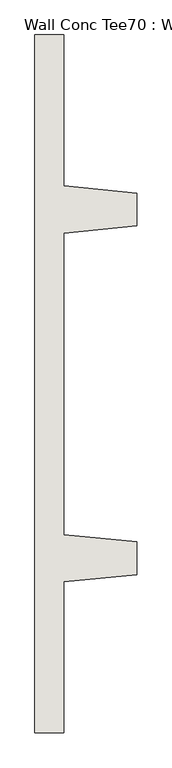
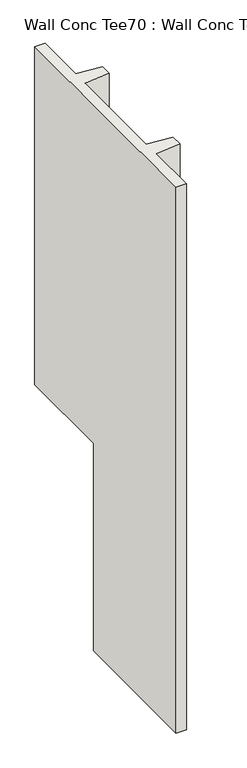
"""IFC4 building model written with IfcOpenShell, lengths in millimetres: wall geometry, Wall Conc Tee70 : Wall Conc Tee."""

from ifc_helpers import new_model, si_unit, origin, place, context, project, spatial, faceted_brep, source, transform, mapped, element, save


def wall_conc_tee70_wall_conc_tee_34d1beac(model_context):
    return source(origin(), model_context, "Body", "Brep", [
        faceted_brep([(240653.0728488, 183579.2596581, 5884.1592564), (240653.0728488, 181140.8596581, 5884.1592564), (240754.6728488, 181140.8596581, 5884.1592564), (240754.6728488, 181667.9096581, 5884.1592564), (241008.6728488, 181693.3096581, 5884.1592564), (241008.6728488, 181807.6096581, 5884.1592564), (240754.6728488, 181833.0096581, 5884.1592564), (240754.6728488, 182887.1096581, 5884.1592564), (241008.6728488, 182912.5096581, 5884.1592564), (241008.6728488, 183026.8096581, 5884.1592564), (240754.6728488, 183052.2096581, 5884.1592564), (240754.6728488, 183579.2596581, 5884.1592564), (240754.6728488, 181140.8596581, 143.7592564), (240653.0728488, 181140.8596581, 143.7592564), (240653.0728488, 182564.7814247, 143.7592564), (240754.6728488, 182564.7814247, 143.7592564), (240754.6728488, 181833.0096581, 143.7592564), (241008.6728488, 181807.6096581, 143.7592564), (241008.6728488, 181693.3096581, 143.7592564), (240754.6728488, 181667.9096581, 143.7592564), (240653.0728488, 183579.2596581, 2328.1592564), (240653.0728488, 182564.7814247, 2328.1592564), (240754.6728488, 183579.2596581, 2328.1592564), (240754.6728488, 183052.2096581, 2328.1592564), (241008.6728488, 183026.8096581, 2328.1592564), (241008.6728488, 182912.5096581, 2328.1592564), (240754.6728488, 182887.1096581, 2328.1592564), (240754.6728488, 182564.7814247, 2328.1592564)], [[[0, 1, 2, 3, 4, 5, 6, 7, 8, 9, 10, 11]], [[12, 13, 14, 15, 16, 17, 18, 19]], [[1, 0, 20, 21, 14, 13]], [[0, 11, 22, 20]], [[11, 10, 23, 22]], [[10, 9, 24, 23]], [[9, 8, 25, 24]], [[8, 7, 26, 25]], [[7, 6, 16, 15, 27, 26]], [[6, 5, 17, 16]], [[5, 4, 18, 17]], [[4, 3, 19, 18]], [[3, 2, 12, 19]], [[2, 1, 13, 12]], [[21, 20, 22, 23, 24, 25, 26, 27]], [[15, 14, 21, 27]]]),
    ])


if __name__ == "__main__":
    model = new_model("IFC4")
    model_context = context("Model", 3, world=origin())
    ifc_project = project(units=[si_unit("LENGTHUNIT", "METRE", prefix="MILLI")], contexts=[model_context])
    site = spatial("IfcSite", under=ifc_project)
    building = spatial("IfcBuilding", under=site)
    placement = place(None, origin())
    wall_conc_tee70_wall_conc_tee_shape = wall_conc_tee70_wall_conc_tee_34d1beac(model_context)
    element("IfcWall", 1, ObjectType="Wall Conc Tee70 : Wall Conc Tee", at=placement, inside=building, context=model_context, shape_type="MappedRepresentation", body=[
        mapped(wall_conc_tee70_wall_conc_tee_shape, transform((0.0, 0.0, 0.0), x_axis=(1.0, 0.0, 0.0), y_axis=(0.0, 1.0, 0.0), z_axis=(0.0, 0.0, 1.0))),
    ])
    save(model, "model.ifc")
